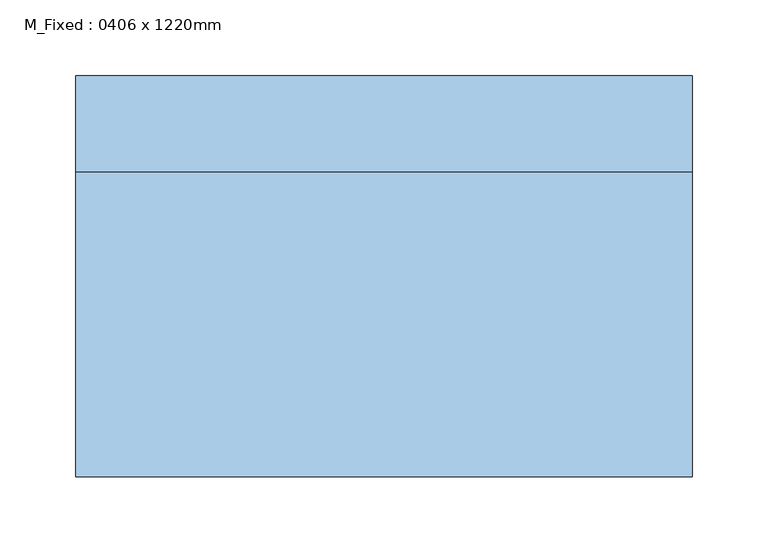
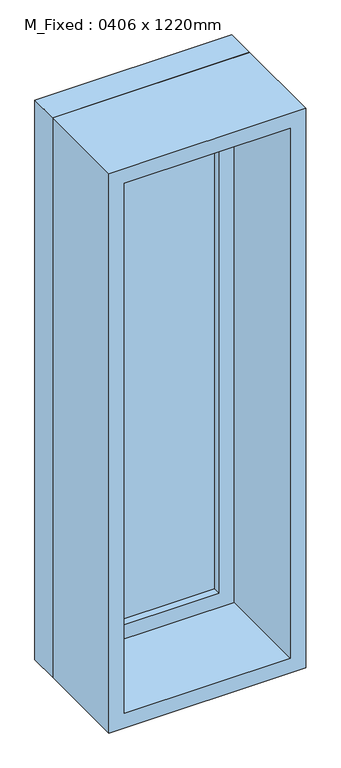
"""IFC4 building model written with IfcOpenShell, lengths in millimetres: window geometry, M_Fixed : 0406 x 1220mm."""

from ifc_helpers import new_model, si_unit, frame, origin, place, context, project, spatial, polyline, outline, extrude, source, transform, mapped, element, save


def m_fixed_0406_x_1220mm_77571796(model_context):
    return source(origin(), model_context, "Body", "SweptSolid", [
        extrude(outline(polyline([(-140.0, 110.0), (140.0, 110.0), (140.0, 98.0), (-140.0, 98.0), (-140.0, 110.0)])), frame((0.0, 0.0, 978.0), z_axis=(0.0, 0.0, 1.0), x_axis=(1.0, 0.0, 0.0)), (0.0, 0.0, 1.0), 1094.0),
        extrude(outline(polyline([(2116.0, -184.0), (934.0, -184.0), (934.0, 184.0), (2116.0, 184.0), (2116.0, -184.0)]), holes=[polyline([(2072.0, -140.0), (2072.0, 140.0), (978.0, 140.0), (978.0, -140.0), (2072.0, -140.0)])]), frame((0.0, 82.0, 0.0), z_axis=(0.0, 1.0, 0.0), x_axis=(0.0, 0.0, 1.0)), (0.0, 0.0, 1.0), 44.0),
        extrude(outline(polyline([(2135.0, -203.0), (915.0, -203.0), (915.0, 203.0), (2135.0, 203.0), (2135.0, -203.0)]), holes=[polyline([(2116.0, -184.0), (2116.0, 184.0), (934.0, 184.0), (934.0, -184.0), (2116.0, -184.0)])]), frame((0.0, 82.0, 0.0), z_axis=(0.0, 1.0, 0.0), x_axis=(0.0, 0.0, 1.0)), (0.0, 0.0, 1.0), 63.0),
        extrude(outline(polyline([(2135.0, -203.0), (915.0, -203.0), (915.0, 203.0), (2135.0, 203.0), (2135.0, -203.0)]), holes=[polyline([(2103.0, -171.0), (2103.0, 171.0), (947.0, 171.0), (947.0, -171.0), (2103.0, -171.0)])]), frame((0.0, -119.0, 0.0), z_axis=(0.0, 1.0, 0.0), x_axis=(0.0, 0.0, 1.0)), (0.0, 0.0, 1.0), 201.0),
    ])


if __name__ == "__main__":
    model = new_model("IFC4")
    model_context = context("Model", 3, world=origin())
    ifc_project = project(units=[si_unit("LENGTHUNIT", "METRE", prefix="MILLI")], contexts=[model_context])
    site = spatial("IfcSite", under=ifc_project)
    building = spatial("IfcBuilding", under=site)
    placement = place(None, origin())
    m_fixed_0406_x_1220mm_shape = m_fixed_0406_x_1220mm_77571796(model_context)
    element("IfcWindow", 1, ObjectType="M_Fixed : 0406 x 1220mm", at=placement, inside=building, context=model_context, shape_type="MappedRepresentation", body=[
        mapped(m_fixed_0406_x_1220mm_shape, transform((0.0, 0.0, 0.0), x_axis=(1.0, 0.0, 0.0), y_axis=(0.0, 1.0, 0.0), z_axis=(0.0, 0.0, 1.0))),
    ])
    save(model, "model.ifc")
